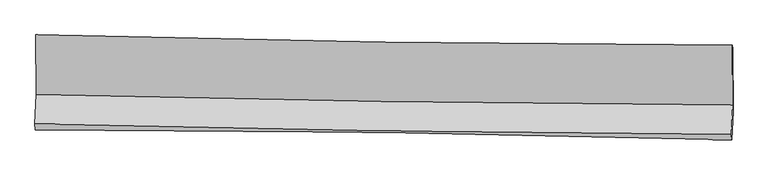
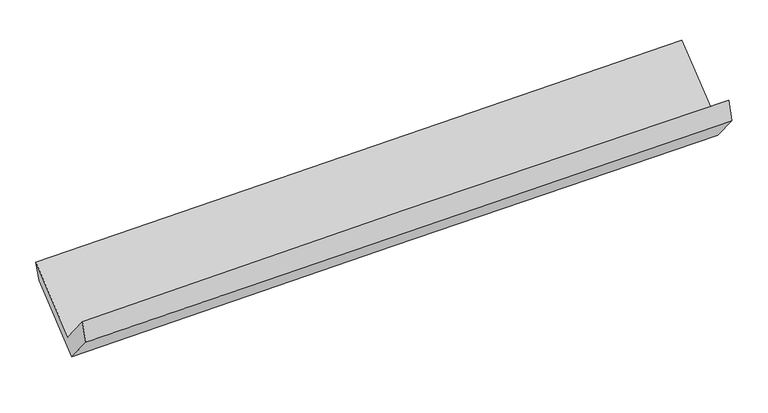
"""IFC4 building model written with IfcOpenShell, lengths in millimetres: proxy geometry."""

from ifc_helpers import new_model, si_unit, frame, origin, place, context, project, spatial, source, transform, mapped, element, save
from ifc_brep_helpers import plane_surface, spline_curve, spline_surface, advanced_brep


def generic_models_b852f126(model_context):
    return source(origin(), model_context, "Body", "AdvancedBrep", [
        advanced_brep(
        [(-3008.7204007, -1150.8081565, 2154.0987104), (-3006.4691605, -1667.4269538, 1724.7915247), (3005.5284367, -1757.821262, 1875.726112), (3003.2553852, -1238.7036564, 2303.5653789), (-3017.7264207, -1922.245508, 2033.9151129), (2994.2670421, -2012.7334013, 2184.9632296), (-3014.4242149, -1973.255294, 1861.8123312), (2997.7322949, -2060.5285761, 2008.960872), (-3003.525653, -1726.5562087, 1562.5385726), (3008.6308568, -1813.8294907, 1709.6871133), (-3005.7391961, -1198.9798452, 1997.3527791), (3006.7879582, -1271.4353432, 2134.3858609)],
        [
            (0, 1),
            (1, 2, spline_curve(3, [(-3006.4691605, -1667.4269538, 1724.7915247), (-2008.88156508, -1692.591709262, 1768.0356782), (-1011.034354426, -1712.697416723, 1802.222105609), (992.960781101, -1742.908043284, 1852.675418042), (1999.112769311, -1752.933772029, 1868.800519563), (3005.5284367, -1757.821262, 1875.726112)], [4, 2, 4], [0.0, 9.8284336002135, 19.733492052326383])),
            (2, 3),
            (3, 0, spline_curve(3, [(3003.2553852, -1238.7036564, 2303.5653789), (1996.649305278, -1235.916470351, 2289.081657323), (990.404311872, -1227.146670487, 2269.315443369), (-1013.582051459, -1197.755966573, 2219.411806699), (-2011.328987039, -1177.227266455, 2189.355797491), (-3008.7204007, -1150.8081565, 2154.0987104)], [4, 2, 4], [0.0, 9.905058452112883, 19.733492052326383])),
            (1, 4),
            (4, 5, spline_curve(3, [(-3017.7264207, -1922.245508, 2033.9151129), (-2020.13701375, -1947.369258441, 2077.109522951), (-1022.289235566, -1967.462122026, 2111.28036944), (981.704540963, -1997.7035032, 2161.770990078), (1987.854583702, -2007.773270525, 2177.949515687), (2994.2670421, -2012.7334013, 2184.9632296)], [4, 2, 4], [0.0, 9.828642455594387, 19.733911391375358])),
            (5, 2),
            (4, 6),
            (6, 7, spline_curve(3, [(-3014.4242149, -1973.255294, 1861.8123312), (-2015.714305029, -1974.87927393, 1876.499351584), (-1017.290618156, -1982.910819749, 1896.038710762), (986.766032293, -2011.901614269, 1945.012269227), (1992.394515003, -2032.961162356, 1974.522423991), (2997.7322949, -2060.5285761, 2008.960872)], [4, 2, 4], [0.0, 9.828150068947796, 19.732922779316468])),
            (7, 5),
            (6, 8),
            (8, 9, spline_curve(3, [(-3003.525653, -1726.5562087, 1562.5385726), (-2005.386801914, -1741.106635525, 1592.90682863), (-1007.249753058, -1755.626501634, 1620.31725024), (996.802444906, -1784.718074304, 1669.413063462), (2002.717566086, -1799.289302087, 1691.052155455), (3008.6308568, -1813.8294907, 1709.6871133)], [4, 2, 4], [0.0, 9.82819722625975, 19.733017461590215])),
            (9, 7),
            (8, 10),
            (10, 11, spline_curve(3, [(-3005.7391961, -1198.9798452, 1997.3527791), (-2007.423774299, -1213.153977518, 2005.086737026), (-1009.1674494, -1226.259721399, 2020.29964431), (995.009193666, -1250.428277941, 2065.860268306), (2000.928587138, -1261.474366652, 2096.325055214), (3006.7879582, -1271.4353432, 2134.3858609)], [4, 2, 4], [0.0, 9.828104982200298, 19.732832254314253])),
            (11, 9),
            (10, 0),
            (3, 11),
        ],
        [
            spline_surface(3, 3, [[(-3008.7204007, -1150.8081565, 2154.0987104), (-2011.328987059, -1177.227266391, 2189.355797622), (-1013.582051564, -1197.755966467, 2219.41180669), (990.404311977, -1227.146670593, 2269.315443379), (1996.649305144, -1235.916470474, 2289.081657159), (3003.2553852, -1238.7036564, 2303.5653789)], [(-3007.969987298, -1323.014422275, 2010.996315143), (-2010.513179736, -1349.015413991, 2048.915757834), (-1012.732819145, -1369.403116548, 2080.348573056), (991.25646829, -1399.067128196, 2130.435434888), (1997.47045984, -1408.255570961, 2148.987944611), (3004.013069037, -1411.74285827, 2160.952289936)], [(-3007.219573902, -1495.220688025, 1867.893919957), (-2009.697372419, -1520.803561567, 1908.475718116), (-1011.883586694, -1541.050266578, 1941.285339399), (992.108624636, -1570.987585747, 1991.555426375), (1998.291614525, -1580.594671438, 2008.894232057), (3004.770752863, -1584.78206013, 2018.339200964)], [(-3006.4691605, -1667.4269538, 1724.7915247), (-2008.881565096, -1692.591709167, 1768.035678327), (-1011.034354276, -1712.697416658, 1802.222105765), (992.96078095, -1742.908043349, 1852.675417884), (1999.11276922, -1752.933771924, 1868.800519509), (3005.5284367, -1757.821262, 1875.726112)]], [4, 4], [4, 2, 4], [0.0, 2.1748115309656], [0.0, 9.8284336002135, 19.733492052326383]),
            spline_surface(3, 3, [[(-3006.4691605, -1667.4269538, 1724.7915247), (-2008.881565096, -1692.591709167, 1768.035678327), (-1011.034354276, -1712.697416658, 1802.222105765), (992.96078095, -1742.908043349, 1852.675417884), (1999.11276922, -1752.933771924, 1868.800519509), (3005.5284367, -1757.821262, 1875.726112)], [(-3010.221580557, -1752.366471851, 1827.832720774), (-2012.633381321, -1777.517558915, 1871.060293211), (-1014.785981365, -1797.618985156, 1905.24152701), (989.208700978, -1827.839863257, 1955.707275245), (1995.36004074, -1837.880271432, 1971.850184877), (3001.774638522, -1842.791975099, 1978.805151178)], [(-3013.974000643, -1837.305989949, 1930.873916826), (-2016.385197574, -1862.443408709, 1974.084908072), (-1018.537608501, -1882.540553654, 2008.260948281), (985.45662096, -1912.771683167, 2058.739132631), (1991.607312193, -1922.826770945, 2074.899850309), (2998.020840278, -1927.762688201, 2081.884190422)], [(-3017.7264207, -1922.245508, 2033.9151129), (-2020.137013799, -1947.369258457, 2077.109522956), (-1022.28923559, -1967.462122151, 2111.280369526), (981.704540988, -1997.703503075, 2161.770989992), (1987.854583713, -2007.773270453, 2177.949515677), (2994.2670421, -2012.7334013, 2184.9632296)]], [4, 4], [4, 2, 4], [0.0, 1.3146644019528009], [0.0, 9.828642455594387, 19.733911391375358]),
            spline_surface(3, 3, [[(-3017.7264207, -1922.245508, 2033.9151129), (-2020.137013799, -1947.369258457, 2077.109522956), (-1022.28923559, -1967.462122151, 2111.280369526), (981.704540988, -1997.703503075, 2161.770989992), (1987.854583713, -2007.773270453, 2177.949515677), (2994.2670421, -2012.7334013, 2184.9632296)], [(-3016.625685439, -1939.248770017, 1976.547519014), (-2018.662777581, -1956.539263579, 2010.239465864), (-1020.623029767, -1972.611687972, 2039.533149906), (983.391704702, -2002.436206815, 2089.518083096), (1989.367894152, -2016.169234462, 2110.140485097), (2995.422126356, -2028.665126223, 2126.295777079)], [(-3015.524950161, -1956.252031983, 1919.179925086), (-2017.188541348, -1965.70926865, 1943.369408728), (-1018.95682388, -1977.761253847, 1967.785930295), (985.078868479, -2007.168910609, 2017.26517621), (1990.881204623, -2024.565198503, 2042.331454481), (2996.577210644, -2044.596851177, 2067.628324521)], [(-3014.4242149, -1973.255294, 1861.8123312), (-2015.714305131, -1974.879273771, 1876.499351636), (-1017.290618057, -1982.910819669, 1896.038710675), (986.766032192, -2011.90161435, 1945.012269314), (1992.394515062, -2032.961162513, 1974.522423901), (2997.7322949, -2060.5285761, 2008.960872)]], [4, 4], [4, 2, 4], [0.0, 0.7105367764692347], [0.0, 9.828150068947796, 19.732922779316468]),
            spline_surface(3, 3, [[(-3014.4242149, -1973.255294, 1861.8123312), (-2015.714305131, -1974.879273771, 1876.499351636), (-1017.290618057, -1982.910819669, 1896.038710675), (986.766032192, -2011.90161435, 1945.012269314), (1992.394515062, -2032.961162513, 1974.522423901), (2997.7322949, -2060.5285761, 2008.960872)], [(-3010.79136093, -1891.022265544, 1762.054411644), (-2012.271804096, -1896.955061055, 1781.968510566), (-1013.943663059, -1907.149380355, 1804.131557181), (990.111503152, -1936.173767608, 1853.145867391), (1995.835532059, -1955.070542368, 1880.032334403), (3001.365148869, -1978.295547644, 1909.202952444)], [(-3007.15850697, -1808.789237156, 1662.296492156), (-2008.829303071, -1819.030848405, 1687.437669564), (-1010.596708141, -1831.387941083, 1712.224403669), (993.456974032, -1860.445920909, 1761.27946545), (1999.276549047, -1877.179922191, 1785.542244872), (3004.998002831, -1896.062519156, 1809.445032856)], [(-3003.525653, -1726.5562087, 1562.5385726), (-2005.386802037, -1741.106635688, 1592.906828494), (-1007.249753144, -1755.626501769, 1620.317250175), (996.802444992, -1784.718074167, 1669.413063528), (2002.717566043, -1799.289302046, 1691.052155373), (3008.6308568, -1813.8294907, 1709.6871133)]], [4, 4], [4, 2, 4], [0.0, 1.172525278603995], [0.0, 9.82819722625975, 19.733017461590215]),
            spline_surface(3, 3, [[(-3003.525653, -1726.5562087, 1562.5385726), (-2005.386802037, -1741.106635688, 1592.906828494), (-1007.249753144, -1755.626501769, 1620.317250175), (996.802444992, -1784.718074167, 1669.413063528), (2002.717566043, -1799.289302046, 1691.052155373), (3008.6308568, -1813.8294907, 1709.6871133)], [(-3004.263500697, -1550.697420861, 1707.476641436), (-2006.065792768, -1565.122416341, 1730.300131389), (-1007.888985242, -1579.170908338, 1753.644714906), (996.204694566, -1606.621475416, 1801.56213179), (2002.121239706, -1620.017656927, 1826.143121912), (3008.016557266, -1633.031441505, 1851.253362477)], [(-3005.001348403, -1374.838633039, 1852.414710264), (-2006.744783508, -1389.138197012, 1867.693434276), (-1008.528217345, -1402.715314883, 1886.972179604), (995.606944135, -1428.52487664, 1933.711200018), (2001.52491337, -1440.746011892, 1961.234088522), (3007.402257734, -1452.233392395, 1992.819611723)], [(-3005.7391961, -1198.9798452, 1997.3527791), (-2007.423774239, -1213.153977665, 2005.086737171), (-1009.167449443, -1226.259721452, 2020.299644336), (995.00919371, -1250.428277888, 2065.860268279), (2000.928587032, -1261.474366773, 2096.325055061), (3006.7879582, -1271.4353432, 2134.3858609)]], [4, 4], [4, 2, 4], [0.0, 2.1797956203616304], [0.0, 9.828104982200298, 19.732832254314253]),
            spline_surface(3, 3, [[(-3005.7391961, -1198.9798452, 1997.3527791), (-2007.423774239, -1213.153977665, 2005.086737171), (-1009.167449443, -1226.259721452, 2020.299644336), (995.00919371, -1250.428277888, 2065.860268279), (2000.928587032, -1261.474366773, 2096.325055061), (3006.7879582, -1271.4353432, 2134.3858609)], [(-3006.732930979, -1182.922615652, 2049.601422888), (-2008.725511858, -1201.178407259, 2066.509757343), (-1010.638983495, -1216.758469797, 2086.670365107), (993.47423312, -1242.66774213, 2133.678659966), (1999.502159719, -1252.955068032, 2160.577255781), (3005.610433849, -1260.524780959, 2190.779033587)], [(-3007.726665821, -1166.865386048, 2101.850066612), (-2010.02724944, -1189.202836797, 2127.932777451), (-1012.110517512, -1207.257218122, 2153.041085919), (991.939272566, -1234.907206351, 2201.497051692), (1998.075732457, -1244.435769215, 2224.829456439), (3004.432909551, -1249.614218641, 2247.172206213)], [(-3008.7204007, -1150.8081565, 2154.0987104), (-2011.328987059, -1177.227266391, 2189.355797622), (-1013.582051564, -1197.755966467, 2219.41180669), (990.404311977, -1227.146670593, 2269.315443379), (1996.649305144, -1235.916470474, 2289.081657159), (3003.2553852, -1238.7036564, 2303.5653789)]], [4, 4], [4, 2, 4], [0.0, 0.6660299619743053], [0.0, 9.828048610181645, 19.732719070787017]),
            plane_surface(frame((3002.700329, -1692.5086216, 2036.2147611), z_axis=(0.9995997130665721, -0.015258278646939398, 0.02382432727191328), x_axis=(-0.0026751868530132863, 0.7873497174209787, 0.6165008238862351))),
            plane_surface(frame((-3009.4341743, -1606.5453277, 1889.0848385), z_axis=(-0.9996001804833999, 0.015367305273926758, -0.023734470842475985), x_axis=(0.01817716937596261, -0.29371514215744093, -0.9557201503478474))),
        ],
        [
            (0, [[1, 2, 3, 4]]),
            (1, [[5, 6, 7, -2]]),
            (2, [[8, 9, 10, -6]]),
            (3, [[11, 12, 13, -9]]),
            (4, [[14, 15, 16, -12]]),
            (5, [[17, -4, 18, -15]]),
            (6, [[-16, -18, -3, -7, -10, -13]]),
            (7, [[-17, -14, -11, -8, -5, -1]]),
        ],
    ),
    ])


if __name__ == "__main__":
    model = new_model("IFC4")
    model_context = context("Model", 3, world=origin())
    ifc_project = project(units=[si_unit("LENGTHUNIT", "METRE", prefix="MILLI")], contexts=[model_context])
    site = spatial("IfcSite", under=ifc_project)
    building = spatial("IfcBuilding", under=site)
    placement = place(None, origin())
    generic_models_shape = generic_models_b852f126(model_context)
    element("IfcBuildingElementProxy", 1, Name="Generic Models", at=placement, inside=building, context=model_context, shape_type="MappedRepresentation", body=[
        mapped(generic_models_shape, transform((0.0, 0.0, 0.0), x_axis=(1.0, 0.0, 0.0), y_axis=(0.0, 1.0, 0.0), z_axis=(0.0, 0.0, 1.0))),
    ])
    save(model, "model.ifc")
